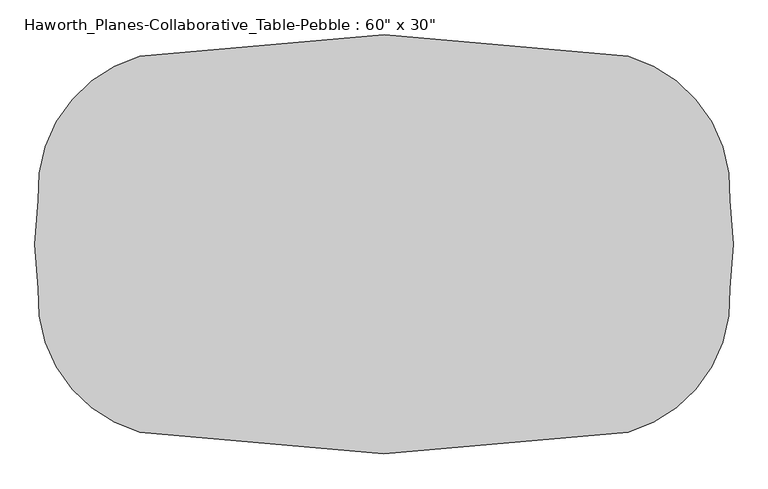
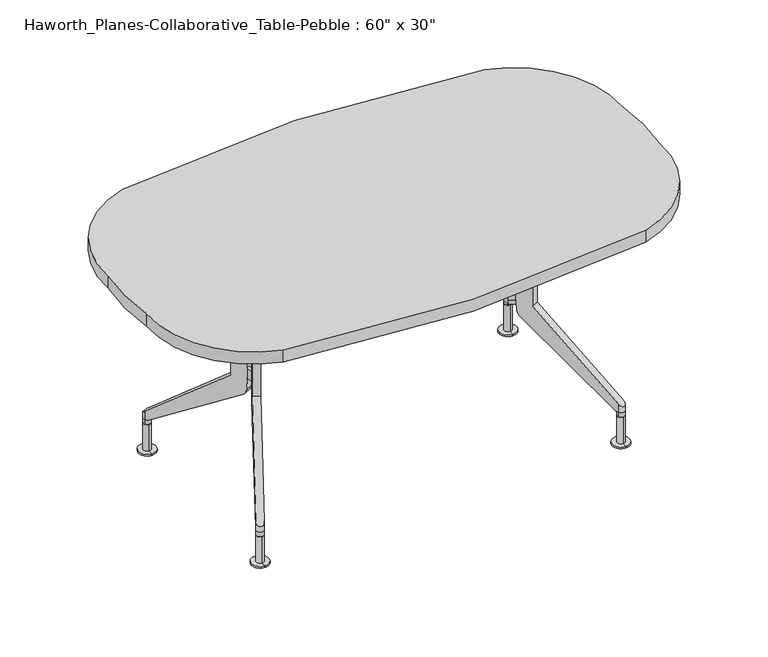
"""IFC4 building model written with IfcOpenShell, lengths in millimetres: furniture geometry."""

from ifc_helpers import new_model, si_unit, point, frame, frame_2d, origin, place, context, project, spatial, circle_curve, ellipse_curve, trimmed, segment, composite_curve, outline, extrude, source, transform, mapped, element, save
from ifc_brep_helpers import plane_surface, cylinder_surface, advanced_brep


def furniture_bd0dc43a(model_context):
    return source(origin(), model_context, "Body", "SolidModel", [
        extrude(outline(composite_curve([segment(trimmed(circle_curve(frame_2d((450.1868406, 116.8855141)), 304.8), [point((532.8485048, 410.262557))], [point((754.3070704, 96.5403468))], False, "CARTESIAN"), True, "CONTINUOUS"), segment(trimmed(circle_curve(frame_2d((152.4, 0.0)), 609.6), [point((754.3070704, 96.5403468))], [point((754.3070704, -96.5403468))], False, "CARTESIAN"), True, "CONTINUOUS"), segment(trimmed(circle_curve(frame_2d((450.1868406, -116.8855141)), 304.8), [point((754.3070704, -96.5403468))], [point((532.848505, -410.2625569))], False, "CARTESIAN"), True, "CONTINUOUS"), segment(trimmed(circle_curve(frame_2d((0.0, 2590.8)), 3048.0), [point((532.848505, -410.2625569))], [point((-532.8485052, -410.2625569))], False, "CARTESIAN"), True, "CONTINUOUS"), segment(trimmed(circle_curve(frame_2d((-450.1868406, -116.8855142)), 304.8), [point((-532.8485052, -410.2625569))], [point((-754.3070704, -96.5403468))], False, "CARTESIAN"), True, "CONTINUOUS"), segment(trimmed(circle_curve(frame_2d((-152.4, 0.0)), 609.6), [point((-754.3070704, -96.5403468))], [point((-754.3070704, 96.5403468))], False, "CARTESIAN"), True, "CONTINUOUS"), segment(trimmed(circle_curve(frame_2d((-450.1868406, 116.8855141)), 304.8), [point((-754.3070704, 96.5403468))], [point((-532.8485046, 410.262557))], False, "CARTESIAN"), True, "CONTINUOUS"), segment(trimmed(circle_curve(frame_2d((0.0, -2590.8)), 3048.0), [point((-532.8485046, 410.262557))], [point((532.8485048, 410.262557))], False, "CARTESIAN"), True, "CONTINUOUS")], self_intersect=False)), frame((0.0, 0.0, 698.5), z_axis=(0.0, 0.0, 1.0), x_axis=(1.0, 0.0, 0.0)), (0.0, 0.0, 1.0), 38.1),
        advanced_brep(
        [(530.225, -276.6169029, 87.3125), (520.4062702, -292.9500622, 87.3125), (530.2071566, -298.8418958, 87.3125), (530.2160783, -287.7293994, 87.3125), (540.0298221, -282.5161384, 87.3125), (530.2160783, -287.7293994, 0.0), (530.1956859, -313.1293912, 0.0), (530.2364707, -262.3294076, 0.0), (530.1956859, -313.1293912, 4.7625), (530.2364707, -262.3294076, 4.7625), (530.2071566, -298.8418958, 4.7625), (530.225, -276.6169029, 4.7625), (530.2071566, -298.8418958, 81.9372337)],
        [
            (0, 1, circle_curve(frame((530.2160783, -287.7293994, 87.3125), z_axis=(0.0, 0.0, 1.0), x_axis=(0.0008028513696700732, 0.9999996777147871, 0.0)), 11.1125)),
            (1, 2, circle_curve(frame((530.2160783, -287.7293994, 87.3125), z_axis=(0.0, 0.0, 1.0), x_axis=(0.0008028513696700732, 0.9999996777147871, 0.0)), 11.1125)),
            (2, 3),
            (3, 0),
            (2, 4, circle_curve(frame((530.2160783, -287.7293994, 87.3125), z_axis=(0.0, 0.0, 1.0), x_axis=(0.0008028513696700732, 0.9999996777147871, 0.0)), 11.1125)),
            (4, 0, circle_curve(frame((530.2160783, -287.7293994, 87.3125), z_axis=(0.0, 0.0, 1.0), x_axis=(0.0008028513696700732, 0.9999996777147871, 0.0)), 11.1125)),
            (5, 6),
            (6, 7, circle_curve(frame((530.2160783, -287.7293994, 0.0), z_axis=(0.0, 0.0, -1.0), x_axis=(0.0008028513696700732, 0.9999996777147871, 0.0)), 25.4)),
            (7, 5),
            (7, 6, circle_curve(frame((530.2160783, -287.7293994, 0.0), z_axis=(0.0, 0.0, -1.0), x_axis=(0.0008028513696700732, 0.9999996777147871, 0.0)), 25.4)),
            (6, 8),
            (8, 9, circle_curve(frame((530.2160783, -287.7293994, 4.7625), z_axis=(0.0, 0.0, -1.0), x_axis=(0.0008028513696700732, 0.9999996777147871, 0.0)), 25.4)),
            (9, 7),
            (9, 8, circle_curve(frame((530.2160783, -287.7293994, 4.7625), z_axis=(0.0, 0.0, -1.0), x_axis=(0.0008028513696700732, 0.9999996777147871, 0.0)), 25.4)),
            (8, 10),
            (10, 11, circle_curve(frame((530.2160783, -287.7293994, 4.7625), z_axis=(0.0, 0.0, -1.0), x_axis=(0.0008028513696700732, 0.9999996777147871, 0.0)), 11.1125)),
            (11, 9),
            (11, 10, circle_curve(frame((530.2160783, -287.7293994, 4.7625), z_axis=(0.0, 0.0, -1.0), x_axis=(0.0008028513696700732, 0.9999996777147871, 0.0)), 11.1125)),
            (10, 12),
            (12, 2),
            (0, 11),
        ],
        [
            plane_surface(frame((530.2160783, -287.7293994, 87.3125), z_axis=(0.0, 0.0, 1.0), x_axis=(0.0008028513696700732, 0.9999996777147871, 0.0))),
            plane_surface(frame((530.2160783, -287.7293994, 0.0), z_axis=(0.0, 0.0, -1.0), x_axis=(0.0008028513696700732, 0.9999996777147871, 0.0))),
            cylinder_surface(frame((530.2160783, -287.7293994, 87.0927212), z_axis=(0.0, 0.0, -1.0), x_axis=(0.0008028513696700732, 0.9999996777147871, 0.0)), 25.4),
            plane_surface(frame((530.2160783, -287.7293994, 4.7625), z_axis=(0.0, 0.0, 1.0), x_axis=(0.0008028513696700732, 0.9999996777147871, 0.0))),
            cylinder_surface(frame((530.2160783, -287.7293994, 87.0927212), z_axis=(0.0, 0.0, -1.0), x_axis=(0.0008028513696700732, 0.9999996777147871, 0.0)), 11.1125),
        ],
        [
            (0, [[1, 2, 3, 4]]),
            (0, [[-3, 5, 6, -4]]),
            (1, [[7, 8, 9]]),
            (1, [[10, -7, -9]]),
            (2, [[11, 12, 13, -8]]),
            (2, [[-13, 14, -11, -10]]),
            (3, [[15, 16, 17, -12]]),
            (3, [[-17, 18, -15, -14]]),
            (4, [[19, 20, -2, -1, 21, -16]]),
            (4, [[-21, -6, -5, -20, -19, -18]]),
        ],
    ),
        advanced_brep(
        [(530.2339217, 287.7294065, 87.3125), (530.225, 298.8419029, 87.3125), (530.2428434, 276.6169101, 87.3125), (530.2135293, 313.1293983, 0.0), (530.2339217, 287.7294065, 0.0), (530.2543141, 262.3294147, 0.0), (530.2135293, 313.1293983, 4.7625), (530.2543141, 262.3294147, 4.7625), (530.225, 298.8419029, 4.7625), (530.2428434, 276.6169101, 4.7625)],
        [
            (0, 1),
            (1, 2, circle_curve(frame((530.2339217, 287.7294065, 87.3125), z_axis=(0.0, 0.0, 1.0), x_axis=(0.0008028513696700732, -0.9999996777147871, 0.0)), 11.1125)),
            (2, 0),
            (2, 1, circle_curve(frame((530.2339217, 287.7294065, 87.3125), z_axis=(0.0, 0.0, 1.0), x_axis=(0.0008028513696700732, -0.9999996777147871, 0.0)), 11.1125)),
            (3, 4),
            (4, 5),
            (5, 3, circle_curve(frame((530.2339217, 287.7294065, 0.0), z_axis=(0.0, 0.0, -1.0), x_axis=(0.0008028513696700732, -0.9999996777147871, 0.0)), 25.4)),
            (3, 5, circle_curve(frame((530.2339217, 287.7294065, 0.0), z_axis=(0.0, 0.0, -1.0), x_axis=(0.0008028513696700732, -0.9999996777147871, 0.0)), 25.4)),
            (6, 3),
            (5, 7),
            (7, 6, circle_curve(frame((530.2339217, 287.7294065, 4.7625), z_axis=(0.0, 0.0, -1.0), x_axis=(0.0008028513696700732, -0.9999996777147871, 0.0)), 25.4)),
            (6, 7, circle_curve(frame((530.2339217, 287.7294065, 4.7625), z_axis=(0.0, 0.0, -1.0), x_axis=(0.0008028513696700732, -0.9999996777147871, 0.0)), 25.4)),
            (8, 6),
            (7, 9),
            (9, 8, circle_curve(frame((530.2339217, 287.7294065, 4.7625), z_axis=(0.0, 0.0, -1.0), x_axis=(0.0008028513696700732, -0.9999996777147871, 0.0)), 11.1125)),
            (8, 9, circle_curve(frame((530.2339217, 287.7294065, 4.7625), z_axis=(0.0, 0.0, -1.0), x_axis=(0.0008028513696700732, -0.9999996777147871, 0.0)), 11.1125)),
            (1, 8),
            (9, 2),
        ],
        [
            plane_surface(frame((530.2339217, 287.7294065, 87.3125), z_axis=(0.0, 0.0, 1.0), x_axis=(0.0008028513696700732, -0.9999996777147871, 0.0))),
            plane_surface(frame((530.2339217, 287.7294065, 0.0), z_axis=(0.0, 0.0, -1.0), x_axis=(0.0008028513696700732, -0.9999996777147871, 0.0))),
            cylinder_surface(frame((530.2339217, 287.7294065, 87.0927212), z_axis=(0.0, 0.0, 1.0), x_axis=(0.0008028513696700732, -0.9999996777147871, 0.0)), 25.4),
            plane_surface(frame((530.2339217, 287.7294065, 4.7625), z_axis=(0.0, 0.0, 1.0), x_axis=(0.0008028513696700732, -0.9999996777147871, 0.0))),
            cylinder_surface(frame((530.2339217, 287.7294065, 87.0927212), z_axis=(0.0, 0.0, 1.0), x_axis=(0.0008028513696700732, -0.9999996777147871, 0.0)), 11.1125),
        ],
        [
            (0, [[1, 2, 3]]),
            (0, [[-3, 4, -1]]),
            (1, [[5, 6, 7]]),
            (1, [[-6, -5, 8]]),
            (2, [[9, -7, 10, 11]]),
            (2, [[-10, -8, -9, 12]]),
            (3, [[13, -11, 14, 15]]),
            (3, [[-14, -12, -13, 16]]),
            (4, [[17, -15, 18, -2]]),
            (4, [[-18, -16, -17, -4]]),
        ],
    ),
        advanced_brep(
        [(395.2875, 10.2759364, 346.075), (395.2875, -10.2759364, 346.075), (386.9624427, -14.7024039, 346.075), (386.9624427, 14.7024039, 346.075), (386.9624427, -14.7024039, 377.825), (386.9624427, 14.7024039, 377.825), (395.2875, -10.2759364, 377.825), (395.2875, 10.2759364, 377.825), (520.4132234, 292.9463652, 127.0692937), (540.0367766, 282.5124407, 127.0692937), (540.0367766, 282.5124407, 102.60711), (520.4132234, 292.9463652, 102.60711), (399.5129171, 65.5636971, 698.5), (399.5129171, 65.5636971, 336.5430612), (516.0759245, 284.7890113, 102.60711), (382.2901681, 33.1720949, 289.5346), (376.8554044, 22.9506894, 309.598894), (375.6639467, 20.709861, 345.8924055), (375.6639467, 20.709861, 698.5), (419.1364704, 55.1297725, 698.5), (395.2875, 10.2759364, 698.5), (395.2875, 10.2759364, 345.8924055), (396.4789577, 12.5167648, 309.598894), (401.9137214, 22.7381703, 289.5346), (535.6994778, 274.3550868, 102.60711), (419.1364704, 55.1297725, 336.5430612), (520.4353129, 282.4711065, 102.60711), (531.3400894, 276.6729916, 102.60711), (540.0367766, 282.5124407, 87.3125), (520.4132234, 292.9463652, 87.3125), (520.4132234, -292.9463652, 102.60711), (540.0367766, -282.5124407, 102.60711), (540.0367766, -282.5124407, 127.0692937), (520.4132234, -292.9463652, 127.0692937), (399.5129171, -65.5636971, 698.5), (375.6639467, -20.709861, 698.5), (375.6639467, -20.709861, 345.8924055), (376.8554044, -22.9506894, 309.598894), (382.2901681, -33.1720949, 289.5346), (516.0759245, -284.7890113, 102.60711), (399.5129171, -65.5636971, 336.5430612), (419.1364704, -55.1297725, 698.5), (419.1364704, -55.1297725, 336.5430612), (535.6994778, -274.3550868, 102.60711), (401.9137214, -22.7381703, 289.5346), (396.4789577, -12.5167648, 309.598894), (395.2875, -10.2759364, 345.8924055), (395.2875, -10.2759364, 698.5), (531.3400894, -276.6729916, 102.60711), (520.4353129, -282.4711065, 102.60711), (540.0367766, -282.5124407, 87.3125), (520.4132234, -292.9463652, 87.3125)],
        [
            (0, 1),
            (1, 2),
            (2, 3),
            (3, 0),
            (2, 4),
            (4, 5),
            (5, 3),
            (4, 6),
            (6, 7),
            (7, 5),
            (6, 1),
            (0, 7),
            (8, 9, ellipse_curve(frame((530.225, 287.7294029, 127.0692937), z_axis=(-0.2962420452940763, -0.5571557985508705, -0.7757693386188477), x_axis=(0.36419881858687636, 0.6849651723124673, -0.6310165871503504)), 14.3244898, 11.1125)),
            (9, 10),
            (10, 11, circle_curve(frame((530.225, 287.7294029, 102.60711), z_axis=(0.0, 0.0, 1.0), x_axis=(-0.8829495292143882, 0.4694679210128104, 0.0)), 11.1125)),
            (11, 8),
            (12, 13),
            (13, 8),
            (11, 14),
            (14, 15),
            (15, 16, circle_curve(frame((389.2363015, 46.2360018, 311.4430172), z_axis=(-0.8829495292143855, 0.4694679210128154, 0.0), x_axis=(-0.4694679210128154, -0.8829495292143855, 0.0)), 26.4365879)),
            (16, 17),
            (17, 18),
            (18, 12),
            (19, 20),
            (20, 7),
            (0, 21),
            (21, 22),
            (22, 23, circle_curve(frame((408.8598548, 35.8020773, 311.4430172), z_axis=(0.8829495292143855, -0.4694679210128154, 0.0), x_axis=(-0.4694679210128154, -0.8829495292143855, 0.0)), 26.4365879)),
            (23, 24),
            (24, 10),
            (9, 25),
            (25, 19),
            (18, 20),
            (19, 12),
            (17, 21),
            (16, 22),
            (15, 23),
            (14, 26),
            (26, 27),
            (27, 24),
            (13, 25),
            (27, 10, circle_curve(frame((530.225, 287.7294029, 102.60711), z_axis=(0.0, 0.0, 1.0), x_axis=(-0.8829495292143882, 0.4694679210128104, 0.0)), 11.1125)),
            (11, 26, circle_curve(frame((530.225, 287.7294029, 102.60711), z_axis=(0.0, 0.0, 1.0), x_axis=(-0.8829495292143882, 0.4694679210128104, 0.0)), 11.1125)),
            (26, 27, circle_curve(frame((530.225, 287.7294029, 102.60711), z_axis=(0.0, 0.0, 1.0), x_axis=(-0.8829495292143882, 0.4694679210128104, 0.0)), 11.1125)),
            (28, 29, circle_curve(frame((530.225, 287.7294029, 87.3125), z_axis=(0.0, 0.0, -1.0), x_axis=(-0.8829495292143882, 0.4694679210128104, 0.0)), 11.1125)),
            (29, 28, circle_curve(frame((530.225, 287.7294029, 87.3125), z_axis=(0.0, 0.0, -1.0), x_axis=(-0.8829495292143882, 0.4694679210128104, 0.0)), 11.1125)),
            (29, 11),
            (10, 28),
            (30, 31, circle_curve(frame((530.225, -287.7294029, 102.60711), z_axis=(0.0, 0.0, 1.0), x_axis=(-0.8829495292143882, -0.4694679210128104, 0.0)), 11.1125)),
            (31, 32),
            (32, 33, ellipse_curve(frame((530.225, -287.7294029, 127.0692937), z_axis=(-0.29624204529407705, 0.5571557985508702, -0.7757693386188476), x_axis=(0.36419881858687714, -0.6849651723124666, -0.6310165871503505)), 14.3244898, 11.1125)),
            (33, 30),
            (34, 35),
            (35, 36),
            (36, 37),
            (37, 38, circle_curve(frame((389.2363015, -46.2360018, 311.4430172), z_axis=(-0.8829495292143855, -0.4694679210128154, 0.0), x_axis=(-0.4694679210128154, 0.8829495292143855, 0.0)), 26.4365879)),
            (38, 39),
            (39, 30),
            (33, 40),
            (40, 34),
            (41, 42),
            (42, 32),
            (31, 43),
            (43, 44),
            (44, 45, circle_curve(frame((408.8598548, -35.8020773, 311.4430172), z_axis=(0.8829495292143855, 0.4694679210128154, 0.0), x_axis=(-0.4694679210128154, 0.8829495292143855, 0.0)), 26.4365879)),
            (45, 46),
            (46, 1),
            (6, 47),
            (47, 41),
            (34, 41),
            (47, 35),
            (46, 36),
            (45, 37),
            (44, 38),
            (43, 48),
            (48, 49),
            (49, 39),
            (42, 40),
            (49, 30, circle_curve(frame((530.225, -287.7294029, 102.60711), z_axis=(0.0, 0.0, 1.0), x_axis=(-0.8829495292143882, -0.4694679210128104, 0.0)), 11.1125)),
            (31, 48, circle_curve(frame((530.225, -287.7294029, 102.60711), z_axis=(0.0, 0.0, 1.0), x_axis=(-0.8829495292143882, -0.4694679210128104, 0.0)), 11.1125)),
            (48, 49, circle_curve(frame((530.225, -287.7294029, 102.60711), z_axis=(0.0, 0.0, 1.0), x_axis=(-0.8829495292143882, -0.4694679210128104, 0.0)), 11.1125)),
            (50, 51, circle_curve(frame((530.225, -287.7294029, 87.3125), z_axis=(0.0, 0.0, -1.0), x_axis=(-0.8829495292143882, -0.4694679210128104, 0.0)), 11.1125)),
            (51, 50, circle_curve(frame((530.225, -287.7294029, 87.3125), z_axis=(0.0, 0.0, -1.0), x_axis=(-0.8829495292143882, -0.4694679210128104, 0.0)), 11.1125)),
            (50, 31),
            (30, 51),
        ],
        [
            plane_surface(frame((395.2875, -25.4, 346.075), z_axis=(0.0, 0.0, -1.0), x_axis=(0.0, 1.0, 0.0))),
            plane_surface(frame((386.9624427, -25.4, 346.075), z_axis=(-1.0, 0.0, 0.0), x_axis=(0.0, 1.0, 0.0))),
            plane_surface(frame((386.9624427, -25.4, 377.825), z_axis=(0.0, 0.0, 1.0), x_axis=(0.0, 1.0, 0.0))),
            plane_surface(frame((395.2875, -25.4, 377.825), z_axis=(1.0, 0.0, 0.0), x_axis=(0.0, 1.0, 0.0))),
            cylinder_surface(frame((530.225, 287.7294029, 81.9372337), z_axis=(0.0, 0.0, -1.0), x_axis=(-0.8829495292143882, 0.4694679210128104, 0.0)), 11.1125),
            plane_surface(frame((375.6639467, 20.709861, 698.5), z_axis=(-0.8829495292143855, 0.4694679210128154, 0.0), x_axis=(-0.4694679210128154, -0.8829495292143855, 0.0))),
            plane_surface(frame((395.2875, 10.2759364, 698.5), z_axis=(0.8829495292143855, -0.4694679210128154, 0.0), x_axis=(0.4694679210128154, 0.8829495292143855, 0.0))),
            plane_surface(frame((399.5129171, 65.5636971, 698.5), z_axis=(0.0, 0.0, 1.0000000000000002), x_axis=(0.8829495292143855, -0.4694679210128154, 0.0))),
            plane_surface(frame((375.6639467, 20.709861, 698.5), z_axis=(-0.4694679210128153, -0.8829495292143855, 0.0), x_axis=(0.8829495292143855, -0.4694679210128153, 0.0))),
            plane_surface(frame((375.6639467, 20.709861, 345.8924055), z_axis=(-0.4683243207526016, -0.880798708538104, -0.06975647374418203), x_axis=(0.8829495292143855, -0.4694679210128154, 0.0))),
            cylinder_surface(frame((408.8598548, 35.8020773, 311.4430172), z_axis=(-0.8829495292143855, 0.4694679210128154, 0.0), x_axis=(-0.4694679210128154, -0.8829495292143855, 0.0)), 26.4365879),
            plane_surface(frame((382.2901681, 33.1720949, 289.5346), z_axis=(-0.2574936485451524, -0.48427993816521164, -0.8361638370855348), x_axis=(0.8829495292143855, -0.4694679210128154, 0.0))),
            plane_surface(frame((526.425069, 304.2531149, 116.6530756), z_axis=(0.2962420452940763, 0.5571557985508705, 0.7757693386188477), x_axis=(0.8829495292143861, -0.4694679210128142, 0.0))),
            plane_surface(frame((399.5129171, 65.5636971, 336.5430612), z_axis=(0.4694679210128154, 0.8829495292143855, 0.0), x_axis=(0.8829495292143855, -0.4694679210128154, 0.0))),
            plane_surface(frame((516.0759245, 284.7890113, 102.60711), z_axis=(0.0, 0.0, -1.0), x_axis=(0.8829495292143861, -0.4694679210128142, 0.0))),
            plane_surface(frame((520.4132234, 292.9463652, 102.60711), z_axis=(0.0, 0.0, 1.0), x_axis=(0.4694679210128104, 0.8829495292143882, 0.0))),
            plane_surface(frame((520.4132234, 292.9463652, 87.3125), z_axis=(0.0, 0.0, -1.0), x_axis=(-0.4694679210128104, -0.8829495292143882, 0.0))),
            cylinder_surface(frame((530.225, 287.7294029, 87.3125), z_axis=(0.0, 0.0, 1.0), x_axis=(-0.8829495292143882, 0.4694679210128104, 0.0)), 11.1125),
            cylinder_surface(frame((530.225, -287.7294029, 81.9372337), z_axis=(0.0, 0.0, -1.0), x_axis=(-0.8829495292143882, -0.4694679210128104, 0.0)), 11.1125),
            plane_surface(frame((399.5129171, -65.5636971, 336.5430612), z_axis=(-0.8829495292143855, -0.4694679210128154, 0.0), x_axis=(0.0, 0.0, -1.0))),
            plane_surface(frame((419.1364704, -55.1297725, 336.5430612), z_axis=(0.8829495292143855, 0.4694679210128154, 0.0), x_axis=(0.0, 0.0, 1.0))),
            plane_surface(frame((375.6639467, -20.709861, 698.5), z_axis=(0.0, 0.0, 1.0000000000000002), x_axis=(0.8829495292143855, 0.4694679210128154, 0.0))),
            plane_surface(frame((375.6639467, -20.709861, 345.8924055), z_axis=(-0.4694679210128154, 0.8829495292143855, 0.0), x_axis=(0.8829495292143855, 0.4694679210128154, 0.0))),
            plane_surface(frame((376.8554044, -22.9506894, 309.598894), z_axis=(-0.4683243207526023, 0.8807987085381044, -0.06975647374417179), x_axis=(0.8829495292143853, 0.4694679210128158, 0.0))),
            cylinder_surface(frame((408.8598548, -35.8020773, 311.4430172), z_axis=(-0.8829495292143855, -0.4694679210128154, 0.0), x_axis=(-0.4694679210128154, 0.8829495292143855, 0.0)), 26.4365879),
            plane_surface(frame((516.0759245, -284.7890113, 102.60711), z_axis=(-0.25749364854515144, 0.48427993816520987, -0.8361638370855359), x_axis=(0.8829495292143855, 0.4694679210128154, 0.0))),
            plane_surface(frame((399.5129171, -65.5636971, 336.5430612), z_axis=(0.2962420452940771, -0.5571557985508703, 0.7757693386188478), x_axis=(0.8829495292143855, 0.4694679210128154, 0.0))),
            plane_surface(frame((399.5129171, -65.5636971, 698.5), z_axis=(0.4694679210128154, -0.8829495292143855, 0.0), x_axis=(0.8829495292143855, 0.4694679210128154, 0.0))),
            plane_surface(frame((526.425069, -304.2531149, 102.60711), z_axis=(0.0, 0.0, -1.0), x_axis=(0.8829495292143853, 0.4694679210128157, 0.0))),
            plane_surface(frame((520.4132234, -292.9463652, 102.60711), z_axis=(0.0, 0.0, 1.0), x_axis=(-0.4694679210128104, 0.8829495292143882, 0.0))),
            plane_surface(frame((520.4132234, -292.9463652, 87.3125), z_axis=(0.0, 0.0, -1.0), x_axis=(0.4694679210128104, -0.8829495292143882, 0.0))),
            cylinder_surface(frame((530.225, -287.7294029, 87.3125), z_axis=(0.0, 0.0, 1.0), x_axis=(-0.8829495292143882, -0.4694679210128104, 0.0)), 11.1125),
        ],
        [
            (0, [[1, 2, 3, 4]]),
            (1, [[-3, 5, 6, 7]]),
            (2, [[-6, 8, 9, 10]]),
            (3, [[-9, 11, -1, 12]]),
            (4, [[13, 14, 15, 16]]),
            (5, [[17, 18, -16, 19, 20, 21, 22, 23, 24]]),
            (6, [[25, 26, -12, 27, 28, 29, 30, 31, -14, 32, 33]]),
            (7, [[34, -25, 35, -24]]),
            (8, [[36, -27, -4, -7, -10, -26, -34, -23]]),
            (9, [[37, -28, -36, -22]]),
            (10, [[38, -29, -37, -21]]),
            (11, [[39, 40, 41, -30, -38, -20]]),
            (12, [[-32, -13, -18, 42]]),
            (13, [[-35, -33, -42, -17]]),
            (14, [[-41, 43, -31]]),
            (14, [[44, -39, -19]]),
            (15, [[-40, 45]]),
            (16, [[46, 47]]),
            (17, [[48, -15, 49, -47]]),
            (17, [[-49, -43, -45, -44, -48, -46]]),
            (18, [[50, 51, 52, 53]]),
            (19, [[54, 55, 56, 57, 58, 59, -53, 60, 61]]),
            (20, [[62, 63, -51, 64, 65, 66, 67, 68, -11, 69, 70]]),
            (21, [[71, -70, 72, -54]]),
            (22, [[-72, -69, -8, -5, -2, -68, 73, -55]]),
            (23, [[-73, -67, 74, -56]]),
            (24, [[-74, -66, 75, -57]]),
            (25, [[-75, -65, 76, 77, 78, -58]]),
            (26, [[-60, -52, -63, 79]]),
            (27, [[-79, -62, -71, -61]]),
            (28, [[-78, 80, -59]]),
            (28, [[81, -76, -64]]),
            (29, [[-77, 82]]),
            (30, [[83, 84]]),
            (31, [[85, -50, 86, -83]]),
            (31, [[-86, -80, -82, -81, -85, -84]]),
        ],
    ),
        advanced_brep(
        [(-530.225, -276.6169029, 87.3125), (-530.2160783, -287.7293994, 87.3125), (-530.2071566, -298.8418958, 87.3125), (-520.4062702, -292.9500622, 87.3125), (-540.0298221, -282.5161384, 87.3125), (-530.2160783, -287.7293994, 0.0), (-530.2364707, -262.3294076, 0.0), (-530.1956859, -313.1293912, 0.0), (-530.2364707, -262.3294076, 4.7625), (-530.1956859, -313.1293912, 4.7625), (-530.225, -276.6169029, 4.7625), (-530.2071566, -298.8418958, 4.7625), (-530.2071566, -298.8418958, 81.9372337)],
        [
            (0, 1),
            (1, 2),
            (2, 3, circle_curve(frame((-530.2160783, -287.7293994, 87.3125), z_axis=(0.0, 0.0, 1.0), x_axis=(-0.0008028513696700732, 0.9999996777147871, 0.0)), 11.1125)),
            (3, 0, circle_curve(frame((-530.2160783, -287.7293994, 87.3125), z_axis=(0.0, 0.0, 1.0), x_axis=(-0.0008028513696700732, 0.9999996777147871, 0.0)), 11.1125)),
            (0, 4, circle_curve(frame((-530.2160783, -287.7293994, 87.3125), z_axis=(0.0, 0.0, 1.0), x_axis=(-0.0008028513696700732, 0.9999996777147871, 0.0)), 11.1125)),
            (4, 2, circle_curve(frame((-530.2160783, -287.7293994, 87.3125), z_axis=(0.0, 0.0, 1.0), x_axis=(-0.0008028513696700732, 0.9999996777147871, 0.0)), 11.1125)),
            (5, 6),
            (6, 7, circle_curve(frame((-530.2160783, -287.7293994, 0.0), z_axis=(0.0, 0.0, -1.0), x_axis=(-0.0008028513696700732, 0.9999996777147871, 0.0)), 25.4)),
            (7, 5),
            (7, 6, circle_curve(frame((-530.2160783, -287.7293994, 0.0), z_axis=(0.0, 0.0, -1.0), x_axis=(-0.0008028513696700732, 0.9999996777147871, 0.0)), 25.4)),
            (6, 8),
            (8, 9, circle_curve(frame((-530.2160783, -287.7293994, 4.7625), z_axis=(0.0, 0.0, -1.0), x_axis=(-0.0008028513696700732, 0.9999996777147871, 0.0)), 25.4)),
            (9, 7),
            (9, 8, circle_curve(frame((-530.2160783, -287.7293994, 4.7625), z_axis=(0.0, 0.0, -1.0), x_axis=(-0.0008028513696700732, 0.9999996777147871, 0.0)), 25.4)),
            (8, 10),
            (10, 11, circle_curve(frame((-530.2160783, -287.7293994, 4.7625), z_axis=(0.0, 0.0, -1.0), x_axis=(-0.0008028513696700732, 0.9999996777147871, 0.0)), 11.1125)),
            (11, 9),
            (11, 10, circle_curve(frame((-530.2160783, -287.7293994, 4.7625), z_axis=(0.0, 0.0, -1.0), x_axis=(-0.0008028513696700732, 0.9999996777147871, 0.0)), 11.1125)),
            (10, 0),
            (2, 12),
            (12, 11),
        ],
        [
            plane_surface(frame((-530.2160783, -287.7293994, 87.3125), z_axis=(0.0, 0.0, 1.0), x_axis=(-0.0008028513696700732, 0.9999996777147871, 0.0))),
            plane_surface(frame((-530.2160783, -287.7293994, 0.0), z_axis=(0.0, 0.0, -1.0), x_axis=(-0.0008028513696700732, 0.9999996777147871, 0.0))),
            cylinder_surface(frame((-530.2160783, -287.7293994, 87.0927212), z_axis=(0.0, 0.0, -1.0), x_axis=(-0.0008028513696700732, 0.9999996777147871, 0.0)), 25.4),
            plane_surface(frame((-530.2160783, -287.7293994, 4.7625), z_axis=(0.0, 0.0, 1.0), x_axis=(-0.0008028513696700732, 0.9999996777147871, 0.0))),
            cylinder_surface(frame((-530.2160783, -287.7293994, 87.0927212), z_axis=(0.0, 0.0, -1.0), x_axis=(-0.0008028513696700732, 0.9999996777147871, 0.0)), 11.1125),
        ],
        [
            (0, [[1, 2, 3, 4]]),
            (0, [[-1, 5, 6, -2]]),
            (1, [[7, 8, 9]]),
            (1, [[-7, -9, 10]]),
            (2, [[-8, 11, 12, 13]]),
            (2, [[-10, -13, 14, -11]]),
            (3, [[-12, 15, 16, 17]]),
            (3, [[-14, -17, 18, -15]]),
            (4, [[-16, 19, -4, -3, 20, 21]]),
            (4, [[-18, -21, -20, -6, -5, -19]]),
        ],
    ),
        advanced_brep(
        [(-530.2339217, 287.7294065, 87.3125), (-530.2428434, 276.6169101, 87.3125), (-530.225, 298.8419029, 87.3125), (-530.2135293, 313.1293983, 0.0), (-530.2543141, 262.3294147, 0.0), (-530.2339217, 287.7294065, 0.0), (-530.2135293, 313.1293983, 4.7625), (-530.2543141, 262.3294147, 4.7625), (-530.225, 298.8419029, 4.7625), (-530.2428434, 276.6169101, 4.7625)],
        [
            (0, 1),
            (1, 2, circle_curve(frame((-530.2339217, 287.7294065, 87.3125), z_axis=(0.0, 0.0, 1.0), x_axis=(-0.0008028513696700732, -0.9999996777147871, 0.0)), 11.1125)),
            (2, 0),
            (2, 1, circle_curve(frame((-530.2339217, 287.7294065, 87.3125), z_axis=(0.0, 0.0, 1.0), x_axis=(-0.0008028513696700732, -0.9999996777147871, 0.0)), 11.1125)),
            (3, 4, circle_curve(frame((-530.2339217, 287.7294065, 0.0), z_axis=(0.0, 0.0, -1.0), x_axis=(-0.0008028513696700732, -0.9999996777147871, 0.0)), 25.4)),
            (4, 5),
            (5, 3),
            (4, 3, circle_curve(frame((-530.2339217, 287.7294065, 0.0), z_axis=(0.0, 0.0, -1.0), x_axis=(-0.0008028513696700732, -0.9999996777147871, 0.0)), 25.4)),
            (6, 7, circle_curve(frame((-530.2339217, 287.7294065, 4.7625), z_axis=(0.0, 0.0, -1.0), x_axis=(-0.0008028513696700732, -0.9999996777147871, 0.0)), 25.4)),
            (7, 4),
            (3, 6),
            (7, 6, circle_curve(frame((-530.2339217, 287.7294065, 4.7625), z_axis=(0.0, 0.0, -1.0), x_axis=(-0.0008028513696700732, -0.9999996777147871, 0.0)), 25.4)),
            (8, 9, circle_curve(frame((-530.2339217, 287.7294065, 4.7625), z_axis=(0.0, 0.0, -1.0), x_axis=(-0.0008028513696700732, -0.9999996777147871, 0.0)), 11.1125)),
            (9, 7),
            (6, 8),
            (9, 8, circle_curve(frame((-530.2339217, 287.7294065, 4.7625), z_axis=(0.0, 0.0, -1.0), x_axis=(-0.0008028513696700732, -0.9999996777147871, 0.0)), 11.1125)),
            (1, 9),
            (8, 2),
        ],
        [
            plane_surface(frame((-530.2339217, 287.7294065, 87.3125), z_axis=(0.0, 0.0, 1.0), x_axis=(-0.0008028513696700732, -0.9999996777147871, 0.0))),
            plane_surface(frame((-530.2339217, 287.7294065, 0.0), z_axis=(0.0, 0.0, -1.0), x_axis=(-0.0008028513696700732, -0.9999996777147871, 0.0))),
            cylinder_surface(frame((-530.2339217, 287.7294065, 87.0927212), z_axis=(0.0, 0.0, 1.0), x_axis=(-0.0008028513696700732, -0.9999996777147871, 0.0)), 25.4),
            plane_surface(frame((-530.2339217, 287.7294065, 4.7625), z_axis=(0.0, 0.0, 1.0), x_axis=(-0.0008028513696700732, -0.9999996777147871, 0.0))),
            cylinder_surface(frame((-530.2339217, 287.7294065, 87.0927212), z_axis=(0.0, 0.0, 1.0), x_axis=(-0.0008028513696700732, -0.9999996777147871, 0.0)), 11.1125),
        ],
        [
            (0, [[1, 2, 3]]),
            (0, [[-3, 4, -1]]),
            (1, [[5, 6, 7]]),
            (1, [[8, -7, -6]]),
            (2, [[9, 10, -5, 11]]),
            (2, [[12, -11, -8, -10]]),
            (3, [[13, 14, -9, 15]]),
            (3, [[16, -15, -12, -14]]),
            (4, [[-2, 17, -13, 18]]),
            (4, [[-4, -18, -16, -17]]),
        ],
    ),
        advanced_brep(
        [(-395.2875, 10.2759364, 346.075), (-386.9624427, 14.7024039, 346.075), (-386.9624427, -14.7024039, 346.075), (-395.2875, -10.2759364, 346.075), (-386.9624427, 14.7024039, 377.825), (-386.9624427, -14.7024039, 377.825), (-395.2875, 10.2759364, 377.825), (-395.2875, -10.2759364, 377.825), (-520.4132234, 292.9463652, 127.0692937), (-520.4132234, 292.9463652, 102.60711), (-540.0367766, 282.5124407, 102.60711), (-540.0367766, 282.5124407, 127.0692937), (-399.5129171, 65.5636971, 698.5), (-375.6639467, 20.709861, 698.5), (-375.6639467, 20.709861, 345.8924055), (-376.8554044, 22.9506894, 309.598894), (-382.2901681, 33.1720949, 289.5346), (-516.0759245, 284.7890113, 102.60711), (-399.5129171, 65.5636971, 336.5430612), (-419.1364704, 55.1297725, 698.5), (-419.1364704, 55.1297725, 336.5430612), (-535.6994778, 274.3550868, 102.60711), (-401.9137214, 22.7381703, 289.5346), (-396.4789577, 12.5167648, 309.598894), (-395.2875, 10.2759364, 345.8924055), (-395.2875, 10.2759364, 698.5), (-531.3400894, 276.6729916, 102.60711), (-520.4353129, 282.4711065, 102.60711), (-540.0367766, 282.5124407, 87.3125), (-520.4132234, 292.9463652, 87.3125), (-520.4132234, -292.9463652, 102.60711), (-520.4132234, -292.9463652, 127.0692937), (-540.0367766, -282.5124407, 127.0692937), (-540.0367766, -282.5124407, 102.60711), (-399.5129171, -65.5636971, 698.5), (-399.5129171, -65.5636971, 336.5430612), (-516.0759245, -284.7890113, 102.60711), (-382.2901681, -33.1720949, 289.5346), (-376.8554044, -22.9506894, 309.598894), (-375.6639467, -20.709861, 345.8924055), (-375.6639467, -20.709861, 698.5), (-419.1364704, -55.1297725, 698.5), (-395.2875, -10.2759364, 698.5), (-395.2875, -10.2759364, 345.8924055), (-396.4789577, -12.5167648, 309.598894), (-401.9137214, -22.7381703, 289.5346), (-535.6994778, -274.3550868, 102.60711), (-419.1364704, -55.1297725, 336.5430612), (-520.4353129, -282.4711065, 102.60711), (-531.3400894, -276.6729916, 102.60711), (-540.0367766, -282.5124407, 87.3125), (-520.4132234, -292.9463652, 87.3125)],
        [
            (0, 1),
            (1, 2),
            (2, 3),
            (3, 0),
            (1, 4),
            (4, 5),
            (5, 2),
            (4, 6),
            (6, 7),
            (7, 5),
            (6, 0),
            (3, 7),
            (8, 9),
            (9, 10, circle_curve(frame((-530.225, 287.7294029, 102.60711), z_axis=(0.0, 0.0, 1.0), x_axis=(0.8829495292143882, 0.4694679210128104, 0.0)), 11.1125)),
            (10, 11),
            (11, 8, ellipse_curve(frame((-530.225, 287.7294029, 127.0692937), z_axis=(0.2962420452940763, -0.5571557985508705, -0.7757693386188477), x_axis=(-0.36419881858687636, 0.6849651723124673, -0.6310165871503504)), 14.3244898, 11.1125)),
            (12, 13),
            (13, 14),
            (14, 15),
            (15, 16, circle_curve(frame((-389.2363015, 46.2360018, 311.4430172), z_axis=(0.8829495292143855, 0.4694679210128154, 0.0), x_axis=(0.4694679210128154, -0.8829495292143855, 0.0)), 26.4365879)),
            (16, 17),
            (17, 9),
            (8, 18),
            (18, 12),
            (19, 20),
            (20, 11),
            (10, 21),
            (21, 22),
            (22, 23, circle_curve(frame((-408.8598548, 35.8020773, 311.4430172), z_axis=(-0.8829495292143855, -0.4694679210128154, 0.0), x_axis=(0.4694679210128154, -0.8829495292143855, 0.0)), 26.4365879)),
            (23, 24),
            (24, 0),
            (6, 25),
            (25, 19),
            (12, 19),
            (25, 13),
            (24, 14),
            (23, 15),
            (22, 16),
            (21, 26),
            (26, 27),
            (27, 17),
            (20, 18),
            (27, 9, circle_curve(frame((-530.225, 287.7294029, 102.60711), z_axis=(0.0, 0.0, 1.0), x_axis=(0.8829495292143882, 0.4694679210128104, 0.0)), 11.1125)),
            (10, 26, circle_curve(frame((-530.225, 287.7294029, 102.60711), z_axis=(0.0, 0.0, 1.0), x_axis=(0.8829495292143882, 0.4694679210128104, 0.0)), 11.1125)),
            (26, 27, circle_curve(frame((-530.225, 287.7294029, 102.60711), z_axis=(0.0, 0.0, 1.0), x_axis=(0.8829495292143882, 0.4694679210128104, 0.0)), 11.1125)),
            (28, 29, circle_curve(frame((-530.225, 287.7294029, 87.3125), z_axis=(0.0, 0.0, -1.0), x_axis=(0.8829495292143882, 0.4694679210128104, 0.0)), 11.1125)),
            (29, 28, circle_curve(frame((-530.225, 287.7294029, 87.3125), z_axis=(0.0, 0.0, -1.0), x_axis=(0.8829495292143882, 0.4694679210128104, 0.0)), 11.1125)),
            (28, 10),
            (9, 29),
            (30, 31),
            (31, 32, ellipse_curve(frame((-530.225, -287.7294029, 127.0692937), z_axis=(0.29624204529407705, 0.5571557985508702, -0.7757693386188476), x_axis=(-0.36419881858687714, -0.6849651723124666, -0.6310165871503505)), 14.3244898, 11.1125)),
            (32, 33),
            (33, 30, circle_curve(frame((-530.225, -287.7294029, 102.60711), z_axis=(0.0, 0.0, 1.0), x_axis=(0.8829495292143882, -0.4694679210128104, 0.0)), 11.1125)),
            (34, 35),
            (35, 31),
            (30, 36),
            (36, 37),
            (37, 38, circle_curve(frame((-389.2363015, -46.2360018, 311.4430172), z_axis=(0.8829495292143855, -0.4694679210128154, 0.0), x_axis=(0.4694679210128154, 0.8829495292143855, 0.0)), 26.4365879)),
            (38, 39),
            (39, 40),
            (40, 34),
            (41, 42),
            (42, 7),
            (3, 43),
            (43, 44),
            (44, 45, circle_curve(frame((-408.8598548, -35.8020773, 311.4430172), z_axis=(-0.8829495292143855, 0.4694679210128154, 0.0), x_axis=(0.4694679210128154, 0.8829495292143855, 0.0)), 26.4365879)),
            (45, 46),
            (46, 33),
            (32, 47),
            (47, 41),
            (40, 42),
            (41, 34),
            (39, 43),
            (38, 44),
            (37, 45),
            (36, 48),
            (48, 49),
            (49, 46),
            (35, 47),
            (30, 48, circle_curve(frame((-530.225, -287.7294029, 102.60711), z_axis=(0.0, 0.0, 1.0), x_axis=(0.8829495292143882, -0.4694679210128104, 0.0)), 11.1125)),
            (49, 33, circle_curve(frame((-530.225, -287.7294029, 102.60711), z_axis=(0.0, 0.0, 1.0), x_axis=(0.8829495292143882, -0.4694679210128104, 0.0)), 11.1125)),
            (48, 49, circle_curve(frame((-530.225, -287.7294029, 102.60711), z_axis=(0.0, 0.0, 1.0), x_axis=(0.8829495292143882, -0.4694679210128104, 0.0)), 11.1125)),
            (50, 51, circle_curve(frame((-530.225, -287.7294029, 87.3125), z_axis=(0.0, 0.0, -1.0), x_axis=(0.8829495292143882, -0.4694679210128104, 0.0)), 11.1125)),
            (51, 50, circle_curve(frame((-530.225, -287.7294029, 87.3125), z_axis=(0.0, 0.0, -1.0), x_axis=(0.8829495292143882, -0.4694679210128104, 0.0)), 11.1125)),
            (51, 30),
            (33, 50),
        ],
        [
            plane_surface(frame((-395.2875, -25.4, 346.075), z_axis=(0.0, 0.0, -1.0), x_axis=(0.0, 1.0, 0.0))),
            plane_surface(frame((-386.9624427, -25.4, 346.075), z_axis=(1.0, 0.0, 0.0), x_axis=(0.0, 1.0, 0.0))),
            plane_surface(frame((-386.9624427, -25.4, 377.825), z_axis=(0.0, 0.0, 1.0), x_axis=(0.0, 1.0, 0.0))),
            plane_surface(frame((-395.2875, -25.4, 377.825), z_axis=(-1.0, 0.0, 0.0), x_axis=(0.0, 1.0, 0.0))),
            cylinder_surface(frame((-530.225, 287.7294029, 81.9372337), z_axis=(0.0, 0.0, -1.0), x_axis=(0.8829495292143882, 0.4694679210128104, 0.0)), 11.1125),
            plane_surface(frame((-375.6639467, 20.709861, 698.5), z_axis=(0.8829495292143855, 0.4694679210128154, 0.0), x_axis=(0.4694679210128154, -0.8829495292143855, 0.0))),
            plane_surface(frame((-395.2875, 10.2759364, 698.5), z_axis=(-0.8829495292143855, -0.4694679210128154, 0.0), x_axis=(-0.4694679210128154, 0.8829495292143855, 0.0))),
            plane_surface(frame((-399.5129171, 65.5636971, 698.5), z_axis=(0.0, 0.0, 1.0000000000000002), x_axis=(-0.8829495292143855, -0.4694679210128154, 0.0))),
            plane_surface(frame((-375.6639467, 20.709861, 698.5), z_axis=(0.4694679210128153, -0.8829495292143855, 0.0), x_axis=(-0.8829495292143855, -0.4694679210128153, 0.0))),
            plane_surface(frame((-375.6639467, 20.709861, 345.8924055), z_axis=(0.4683243207526016, -0.880798708538104, -0.06975647374418203), x_axis=(-0.8829495292143855, -0.4694679210128154, 0.0))),
            cylinder_surface(frame((-408.8598548, 35.8020773, 311.4430172), z_axis=(0.8829495292143855, 0.4694679210128154, 0.0), x_axis=(0.4694679210128154, -0.8829495292143855, 0.0)), 26.4365879),
            plane_surface(frame((-382.2901681, 33.1720949, 289.5346), z_axis=(0.2574936485451524, -0.48427993816521164, -0.8361638370855348), x_axis=(-0.8829495292143855, -0.4694679210128154, 0.0))),
            plane_surface(frame((-526.425069, 304.2531149, 116.6530756), z_axis=(-0.2962420452940763, 0.5571557985508705, 0.7757693386188477), x_axis=(-0.8829495292143861, -0.4694679210128142, 0.0))),
            plane_surface(frame((-399.5129171, 65.5636971, 336.5430612), z_axis=(-0.4694679210128154, 0.8829495292143855, 0.0), x_axis=(-0.8829495292143855, -0.4694679210128154, 0.0))),
            plane_surface(frame((-516.0759245, 284.7890113, 102.60711), z_axis=(0.0, 0.0, -1.0), x_axis=(-0.8829495292143861, -0.4694679210128142, 0.0))),
            plane_surface(frame((-520.4132234, 292.9463652, 102.60711), z_axis=(0.0, 0.0, 1.0), x_axis=(-0.4694679210128104, 0.8829495292143882, 0.0))),
            plane_surface(frame((-520.4132234, 292.9463652, 87.3125), z_axis=(0.0, 0.0, -1.0), x_axis=(0.4694679210128104, -0.8829495292143882, 0.0))),
            cylinder_surface(frame((-530.225, 287.7294029, 87.3125), z_axis=(0.0, 0.0, 1.0), x_axis=(0.8829495292143882, 0.4694679210128104, 0.0)), 11.1125),
            cylinder_surface(frame((-530.225, -287.7294029, 81.9372337), z_axis=(0.0, 0.0, -1.0), x_axis=(0.8829495292143882, -0.4694679210128104, 0.0)), 11.1125),
            plane_surface(frame((-399.5129171, -65.5636971, 336.5430612), z_axis=(0.8829495292143855, -0.4694679210128154, 0.0), x_axis=(0.0, 0.0, -1.0))),
            plane_surface(frame((-419.1364704, -55.1297725, 336.5430612), z_axis=(-0.8829495292143855, 0.4694679210128154, 0.0), x_axis=(0.0, 0.0, 1.0))),
            plane_surface(frame((-375.6639467, -20.709861, 698.5), z_axis=(0.0, 0.0, 1.0000000000000002), x_axis=(-0.8829495292143855, 0.4694679210128154, 0.0))),
            plane_surface(frame((-375.6639467, -20.709861, 345.8924055), z_axis=(0.4694679210128154, 0.8829495292143855, 0.0), x_axis=(-0.8829495292143855, 0.4694679210128154, 0.0))),
            plane_surface(frame((-376.8554044, -22.9506894, 309.598894), z_axis=(0.4683243207526023, 0.8807987085381044, -0.06975647374417179), x_axis=(-0.8829495292143853, 0.4694679210128158, 0.0))),
            cylinder_surface(frame((-408.8598548, -35.8020773, 311.4430172), z_axis=(0.8829495292143855, -0.4694679210128154, 0.0), x_axis=(0.4694679210128154, 0.8829495292143855, 0.0)), 26.4365879),
            plane_surface(frame((-516.0759245, -284.7890113, 102.60711), z_axis=(0.25749364854515144, 0.48427993816520987, -0.8361638370855359), x_axis=(-0.8829495292143855, 0.4694679210128154, 0.0))),
            plane_surface(frame((-399.5129171, -65.5636971, 336.5430612), z_axis=(-0.2962420452940771, -0.5571557985508703, 0.7757693386188478), x_axis=(-0.8829495292143855, 0.4694679210128154, 0.0))),
            plane_surface(frame((-399.5129171, -65.5636971, 698.5), z_axis=(-0.4694679210128154, -0.8829495292143855, 0.0), x_axis=(-0.8829495292143855, 0.4694679210128154, 0.0))),
            plane_surface(frame((-526.425069, -304.2531149, 102.60711), z_axis=(0.0, 0.0, -1.0), x_axis=(-0.8829495292143853, 0.4694679210128157, 0.0))),
            plane_surface(frame((-520.4132234, -292.9463652, 102.60711), z_axis=(0.0, 0.0, 1.0), x_axis=(0.4694679210128104, 0.8829495292143882, 0.0))),
            plane_surface(frame((-520.4132234, -292.9463652, 87.3125), z_axis=(0.0, 0.0, -1.0), x_axis=(-0.4694679210128104, -0.8829495292143882, 0.0))),
            cylinder_surface(frame((-530.225, -287.7294029, 87.3125), z_axis=(0.0, 0.0, 1.0), x_axis=(0.8829495292143882, -0.4694679210128104, 0.0)), 11.1125),
        ],
        [
            (0, [[1, 2, 3, 4]]),
            (1, [[5, 6, 7, -2]]),
            (2, [[8, 9, 10, -6]]),
            (3, [[11, -4, 12, -9]]),
            (4, [[13, 14, 15, 16]]),
            (5, [[17, 18, 19, 20, 21, 22, -13, 23, 24]]),
            (6, [[25, 26, -15, 27, 28, 29, 30, 31, -11, 32, 33]]),
            (7, [[-17, 34, -33, 35]]),
            (8, [[-18, -35, -32, -8, -5, -1, -31, 36]]),
            (9, [[-19, -36, -30, 37]]),
            (10, [[-20, -37, -29, 38]]),
            (11, [[-21, -38, -28, 39, 40, 41]]),
            (12, [[42, -23, -16, -26]]),
            (13, [[-24, -42, -25, -34]]),
            (14, [[-22, -41, 43]]),
            (14, [[-27, 44, -39]]),
            (15, [[45, -40]]),
            (16, [[46, 47]]),
            (17, [[-46, 48, -14, 49]]),
            (17, [[-47, -49, -43, -45, -44, -48]]),
            (18, [[50, 51, 52, 53]]),
            (19, [[54, 55, -50, 56, 57, 58, 59, 60, 61]]),
            (20, [[62, 63, -12, 64, 65, 66, 67, 68, -52, 69, 70]]),
            (21, [[-61, 71, -62, 72]]),
            (22, [[-60, 73, -64, -3, -7, -10, -63, -71]]),
            (23, [[-59, 74, -65, -73]]),
            (24, [[-58, 75, -66, -74]]),
            (25, [[-57, 76, 77, 78, -67, -75]]),
            (26, [[79, -69, -51, -55]]),
            (27, [[-54, -72, -70, -79]]),
            (28, [[-56, 80, -76]]),
            (28, [[-68, -78, 81]]),
            (29, [[82, -77]]),
            (30, [[83, 84]]),
            (31, [[-84, 85, -53, 86]]),
            (31, [[-83, -86, -81, -82, -80, -85]]),
        ],
    ),
    ])


if __name__ == "__main__":
    model = new_model("IFC4")
    model_context = context("Model", 3, world=origin())
    ifc_project = project(units=[si_unit("LENGTHUNIT", "METRE", prefix="MILLI")], contexts=[model_context])
    site = spatial("IfcSite", under=ifc_project)
    building = spatial("IfcBuilding", under=site)
    placement = place(None, origin())
    furniture_shape = furniture_bd0dc43a(model_context)
    element("IfcFurniture", 1, ObjectType="Haworth_Planes-Collaborative_Table-Pebble : 60\" x 30\"", at=placement, inside=building, context=model_context, shape_type="MappedRepresentation", body=[
        mapped(furniture_shape, transform((0.0, 0.0, 0.0), x_axis=(1.0, 0.0, 0.0), y_axis=(0.0, 1.0, 0.0), z_axis=(0.0, 0.0, 1.0))),
    ])
    save(model, "model.ifc")
